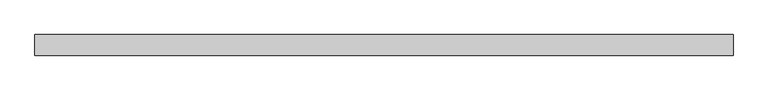
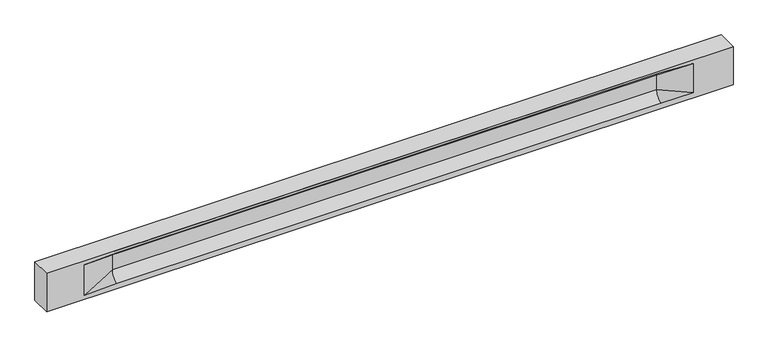
"""IFC4 building model written with IfcOpenShell, lengths in millimetres: beam geometry."""

from ifc_helpers import new_model, si_unit, frame, origin, place, context, project, spatial, polyline, circle_curve, source, transform, mapped, element, save
from ifc_brep_helpers import plane_surface, revolved_surface, spline_surface, advanced_brep


def beam_4c0a283f(model_context):
    return source(origin(), model_context, "Body", "AdvancedBrep", [
        advanced_brep(
        [(8447.5, -250.0, 500.0), (8447.5, -250.0, -500.0), (8447.5, 250.0, -500.0), (8447.5, 250.0, 500.0), (-8447.5, -250.0, 500.0), (-8447.5, -250.0, -500.0), (7472.5, -250.0, -362.0), (6672.5, -250.0, -360.0), (-6717.5, -250.0, -360.0), (-7517.5, -250.0, -400.0), (-7517.5, -250.0, 400.0), (-6717.5, -250.0, 435.0), (6672.5, -250.0, 435.0), (7472.5, -250.0, 400.0), (-8447.5, 250.0, -500.0), (-8447.5, 250.0, 500.0), (7472.5, 250.0, 400.0), (6672.5, 250.0, 435.0), (-6717.5, 250.0, 435.0), (-7517.5, 250.0, 400.0), (-7517.5, 250.0, -400.0), (-6717.5, 250.0, -360.0), (6672.5, 250.0, -360.0), (7472.5, 250.0, -362.0), (6672.5, 155.0, 405.0), (-6717.5, 155.0, 405.0), (6672.5, 60.0, 262.777021), (-6717.5, 60.0, 262.777021), (6672.5, 60.0, -120.0), (-6717.5, 60.0, -120.0), (6672.5, -60.0, -120.0), (-6717.5, -60.0, -120.0), (6672.5, -60.0, 262.777021), (-6717.5, -60.0, 262.777021), (6672.5, -155.0, 405.0), (-6717.5, -155.0, 405.0)],
        [
            (0, 1),
            (1, 2),
            (2, 3),
            (3, 0),
            (0, 4),
            (4, 5),
            (5, 1),
            (6, 7),
            (7, 8),
            (8, 9),
            (9, 10),
            (10, 11),
            (11, 12),
            (12, 13),
            (13, 6),
            (5, 14),
            (14, 2),
            (14, 15),
            (15, 3),
            (16, 17),
            (17, 18),
            (18, 19),
            (19, 20),
            (20, 21),
            (21, 22),
            (22, 23),
            (23, 16),
            (15, 4),
            (17, 24),
            (24, 25),
            (25, 18),
            (24, 26, circle_curve(frame((6672.5, 213.9598725, 262.777021), z_axis=(1.0, 0.0, 0.0), x_axis=(0.0, 1.0, 0.0)), 153.9598725)),
            (26, 27),
            (27, 25, circle_curve(frame((-6717.5, 213.9598725, 262.777021), z_axis=(-1.0, 0.0, 0.0), x_axis=(0.0, 1.0, 0.0)), 153.9598725)),
            (26, 28),
            (28, 29),
            (29, 27),
            (28, 22, circle_curve(frame((6672.5, 306.5789474, -120.0), z_axis=(1.0, 0.0, 0.0), x_axis=(0.0, 1.0, 0.0)), 246.5789474)),
            (21, 29, circle_curve(frame((-6717.5, 306.5789474, -120.0), z_axis=(-1.0, 0.0, 0.0), x_axis=(0.0, 1.0, 0.0)), 246.5789474)),
            (7, 30, circle_curve(frame((6672.5, -306.5789474, -120.0), z_axis=(1.0, 0.0, 0.0), x_axis=(0.0, 1.0, 0.0)), 246.5789474)),
            (30, 31),
            (31, 8, circle_curve(frame((-6717.5, -306.5789474, -120.0), z_axis=(-1.0, 0.0, 0.0), x_axis=(0.0, 1.0, 0.0)), 246.5789474)),
            (30, 32),
            (32, 33),
            (33, 31),
            (32, 34, circle_curve(frame((6672.5, -213.9598725, 262.777021), z_axis=(1.0, 0.0, 0.0), x_axis=(0.0, 1.0, 0.0)), 153.9598725)),
            (34, 35),
            (35, 33, circle_curve(frame((-6717.5, -213.9598725, 262.777021), z_axis=(-1.0, 0.0, 0.0), x_axis=(0.0, 1.0, 0.0)), 153.9598725)),
            (34, 12),
            (11, 35),
            (27, 19),
            (19, 25),
            (10, 35),
            (10, 33),
            (9, 31),
            (20, 29),
            (34, 13),
            (32, 13),
            (30, 6),
            (28, 23),
            (26, 16),
            (24, 16),
        ],
        [
            plane_surface(frame((8447.5, 0.0, 0.0), z_axis=(1.0, 0.0, 0.0), x_axis=(0.0, 0.0, 1.0))),
            plane_surface(frame((8447.5, -250.0, 500.0), z_axis=(0.0, -1.0, 0.0), x_axis=(-1.0, 0.0, 0.0))),
            plane_surface(frame((8447.5, -250.0, -500.0), z_axis=(0.0, 0.0, -1.0), x_axis=(-1.0, 0.0, 0.0))),
            plane_surface(frame((8447.5, 250.0, -500.0), z_axis=(0.0, 1.0, 0.0), x_axis=(-1.0, 0.0, 0.0))),
            plane_surface(frame((8447.5, 250.0, 500.0), z_axis=(0.0, 0.0, 1.0), x_axis=(-1.0, 0.0, 0.0))),
            plane_surface(frame((-6717.5, 250.0, 435.0), z_axis=(0.0, 0.30113136793710954, -0.9535826651341378), x_axis=(1.0, 0.0, 0.0))),
            revolved_surface(polyline([(6672.5, 367.919745, 262.777021), (-6717.5, 367.919745, 262.777021)]), (-6717.5, 213.9598725, 262.777021), (1.0, 0.0, 0.0)),
            plane_surface(frame((-6717.5, 60.0, 262.777021), z_axis=(0.0, 1.0, 0.0), x_axis=(1.0, 0.0, 0.0))),
            revolved_surface(polyline([(6672.5, 553.1578948, -120.0), (-6717.5, 553.1578948, -120.0)]), (-6717.5, 306.5789474, -120.0), (1.0, 0.0, 0.0)),
            revolved_surface(polyline([(6672.5, -60.0, -120.0), (-6717.5, -60.0, -120.0)]), (-6717.5, -306.5789474, -120.0), (1.0, 0.0, 0.0)),
            plane_surface(frame((-6717.5, -60.0, -120.0), z_axis=(0.0, -1.0, 0.0), x_axis=(1.0, 0.0, 0.0))),
            revolved_surface(polyline([(6672.5, -60.0, 262.777021), (-6717.5, -60.0, 262.777021)]), (-6717.5, -213.9598725, 262.777021), (1.0, 0.0, 0.0)),
            plane_surface(frame((-6717.5, -155.0, 405.0), z_axis=(0.0, -0.30113136793710693, -0.9535826651341387), x_axis=(1.0, 0.0, 0.0))),
            spline_surface(2, 1, [[(-7517.5, 250.0, 400.0), (-6717.5, 60.0, 262.777021)], [(-7517.5, 250.0, 400.0), (-6717.5, 59.99999995452379, 365.6168572954922)], [(-7517.5, 250.0, 400.0), (-6717.5, 155.0, 405.0)]], [3, 3], [2, 2], [0.0, 1.0], [0.0, 1.0], weights=[[1.0, 1.0], [0.8315515921160737, 0.8315515921160737], [1.0, 1.0]]),
            plane_surface(frame((-7517.5, 250.0, 400.0), z_axis=(0.04168298285568771, 0.30086965068766386, -0.9527538938442265), x_axis=(0.0, 0.9535826651341378, 0.30113136793710954))),
            plane_surface(frame((-7517.5, -250.0, 400.0), z_axis=(0.041682982855687736, -0.30086965068766125, -0.9527538938442274), x_axis=(0.0, 0.9535826651341387, -0.30113136793710693))),
            spline_surface(2, 1, [[(-7517.5, -250.0, 400.0), (-6717.5, -155.0, 405.0)], [(-7517.5, -250.0, 400.0), (-6717.5, -60.00000008030692, 365.6168572114734)], [(-7517.5, -250.0, 400.0), (-6717.5, -60.0, 262.777021)]], [3, 3], [2, 2], [0.0, 1.0], [0.0, 1.0], weights=[[1.0, 1.0], [0.8315515924557569, 0.8315515924557569], [1.0, 1.0]]),
            plane_surface(frame((-7517.5, -250.0, 0.0), z_axis=(0.23107243079589934, -0.9729365507195596, 0.0), x_axis=(0.0, 0.0, -1.0))),
            spline_surface(2, 1, [[(-7517.5, -250.0, -400.0), (-6717.5, -60.0, -120.0)], [(-7517.5, -250.0, -400.0), (-6717.5, -59.99999998020837, -315.20833333333337)], [(-7517.5, -250.0, -400.0), (-6717.5, -250.0, -360.0)]], [3, 3], [2, 2], [0.0, 1.0], [0.0, 1.0], weights=[[1.0, 1.0], [0.7840458244617614, 0.7840458244617614], [1.0, 1.0]]),
            spline_surface(2, 1, [[(-7517.5, 250.0, -400.0), (-6717.5, 250.0, -360.0)], [(-7517.5, 250.0, -400.0), (-6717.5, 60.00000002887427, -315.20833329480604)], [(-7517.5, 250.0, -400.0), (-6717.5, 60.0, -120.0)]], [3, 3], [2, 2], [0.0, 1.0], [0.0, 1.0], weights=[[1.0, 1.0], [0.7840458245391329, 0.7840458245391329], [1.0, 1.0]]),
            plane_surface(frame((-7517.5, 250.0, 0.0), z_axis=(0.23107243079589507, 0.9729365507195608, 0.0), x_axis=(0.0, 0.0, 1.0))),
            plane_surface(frame((-8447.5, 0.0, 0.0), z_axis=(-1.0, 0.0, 0.0), x_axis=(0.0, 0.0, 1.0))),
            plane_surface(frame((6672.5, -202.5, 420.0), z_axis=(-0.04168298285568735, -0.30086965068766125, -0.9527538938442274), x_axis=(0.0, 0.9535826651341387, -0.30113136793710693))),
            spline_surface(2, 1, [[(6672.5, -155.0, 405.0), (7472.5, -250.0, 400.0)], [(6672.5, -60.00000008030692, 365.6168572114734), (7472.5, -250.0, 400.0)], [(6672.5, -60.0, 262.777021), (7472.5, -250.0, 400.0)]], [3, 3], [2, 2], [0.0, 1.0], [0.0, 1.0], weights=[[1.0, 1.0], [0.8315515924557569, 0.8315515924557569], [1.0, 1.0]]),
            plane_surface(frame((6672.5, -60.0, 71.3885105), z_axis=(-0.23107243079589673, -0.9729365507195603, 0.0), x_axis=(0.0, 0.0, -1.0))),
            spline_surface(2, 1, [[(6672.5, -60.0, -120.0), (7472.5, -250.0, -362.0)], [(6672.5, -59.99999998020837, -315.20833333333337), (7472.5, -250.0, -362.0)], [(6672.5, -250.0, -360.0), (7472.5, -250.0, -362.0)]], [3, 3], [2, 2], [0.0, 1.0], [0.0, 1.0], weights=[[1.0, 1.0], [0.7840458244617614, 0.7840458244617614], [1.0, 1.0]]),
            spline_surface(2, 1, [[(6672.5, 250.0, -360.0), (7472.5, 250.0, -362.0)], [(6672.5, 60.00000002887427, -315.20833329480604), (7472.5, 250.0, -362.0)], [(6672.5, 60.0, -120.0), (7472.5, 250.0, -362.0)]], [3, 3], [2, 2], [0.0, 1.0], [0.0, 1.0], weights=[[1.0, 1.0], [0.7840458245391329, 0.7840458245391329], [1.0, 1.0]]),
            plane_surface(frame((6672.5, 60.0, 71.3885105), z_axis=(-0.23107243079589032, 0.9729365507195619, 0.0), x_axis=(0.0, 0.0, 1.0))),
            spline_surface(2, 1, [[(6672.5, 60.0, 262.777021), (7472.5, 250.0, 400.0)], [(6672.5, 59.99999995452379, 365.6168572954922), (7472.5, 250.0, 400.0)], [(6672.5, 155.0, 405.0), (7472.5, 250.0, 400.0)]], [3, 3], [2, 2], [0.0, 1.0], [0.0, 1.0], weights=[[1.0, 1.0], [0.8315515921160737, 0.8315515921160737], [1.0, 1.0]]),
            plane_surface(frame((6672.5, 202.5, 420.0), z_axis=(-0.041682982855686605, 0.30086965068766386, -0.9527538938442265), x_axis=(0.0, 0.9535826651341378, 0.30113136793710954))),
        ],
        [
            (0, [[1, 2, 3, 4]]),
            (1, [[-1, 5, 6, 7], [8, 9, 10, 11, 12, 13, 14, 15]]),
            (2, [[-2, -7, 16, 17]]),
            (3, [[-3, -17, 18, 19], [20, 21, 22, 23, 24, 25, 26, 27]]),
            (4, [[-5, -4, -19, 28]]),
            (5, [[-21, 29, 30, 31]]),
            (6, [[-30, 32, 33, 34]]),
            (7, [[-33, 35, 36, 37]]),
            (8, [[-36, 38, -25, 39]]),
            (9, [[-9, 40, 41, 42]]),
            (10, [[-41, 43, 44, 45]]),
            (11, [[-44, 46, 47, 48]]),
            (12, [[-47, 49, -13, 50]]),
            (13, [[51, 52, -34]]),
            (14, [[-52, -22, -31]]),
            (15, [[-12, 53, -50]]),
            (16, [[-53, 54, -48]]),
            (17, [[-54, -11, 55, -45]]),
            (18, [[-55, -10, -42]]),
            (19, [[-24, 56, -39]]),
            (20, [[-51, -37, -56, -23]]),
            (21, [[-28, -18, -16, -6]]),
            (22, [[-14, -49, 57]]),
            (23, [[-57, -46, 58]]),
            (24, [[-58, -43, 59, -15]]),
            (25, [[-59, -40, -8]]),
            (26, [[-26, -38, 60]]),
            (27, [[-60, -35, 61, -27]]),
            (28, [[-61, -32, 62]]),
            (29, [[-62, -29, -20]]),
        ],
    ),
    ])


if __name__ == "__main__":
    model = new_model("IFC4")
    model_context = context("Model", 3, world=origin())
    ifc_project = project(units=[si_unit("LENGTHUNIT", "METRE", prefix="MILLI")], contexts=[model_context])
    site = spatial("IfcSite", under=ifc_project)
    building = spatial("IfcBuilding", under=site)
    placement = place(None, origin())
    beam_shape = beam_4c0a283f(model_context)
    element("IfcBeam", 1, at=placement, inside=building, context=model_context, shape_type="MappedRepresentation", body=[
        mapped(beam_shape, transform((0.0, 0.0, 0.0), x_axis=(1.0, 0.0, 0.0), y_axis=(0.0, 1.0, 0.0), z_axis=(0.0, 0.0, 1.0))),
    ])
    save(model, "model.ifc")
